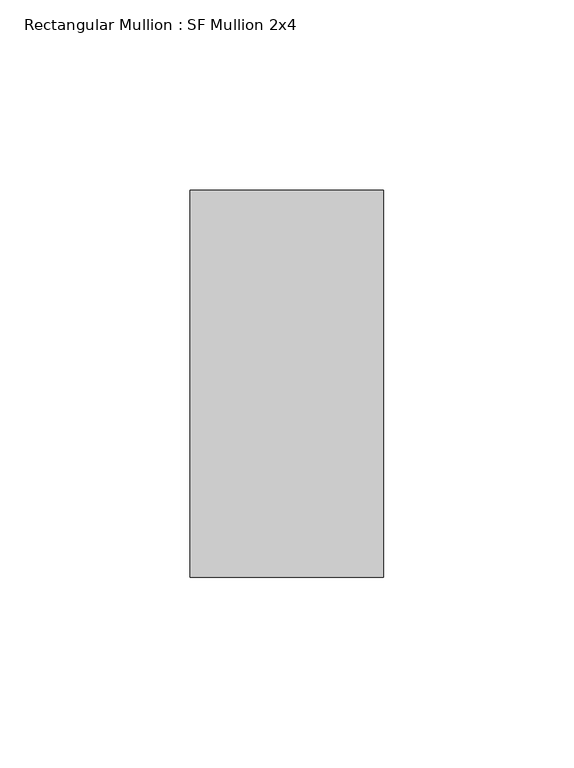
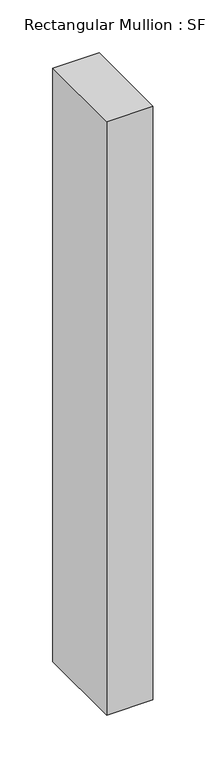
"""IFC4 building model written with IfcOpenShell, lengths in millimetres: member geometry, Rectangular Mullion : SF Mullion 2x4."""

from ifc_helpers import new_model, si_unit, frame, origin, place, context, project, spatial, polyline, outline, extrude, source, transform, mapped, element, save


def rectangular_mullion_sf_mullion_2x4_7cb6e340(model_context):
    return source(origin(), model_context, "Body", "SweptSolid", [
        extrude(outline(polyline([(0.0, 50.8), (0.0, -50.8), (-50.8, -50.8), (-50.8, 50.8), (0.0, 50.8)])), frame((0.0, 0.0, -685.8), z_axis=(0.0, 0.0, 1.0), x_axis=(1.0, 0.0, 0.0)), (0.0, 0.0, 1.0), 685.8),
    ])


if __name__ == "__main__":
    model = new_model("IFC4")
    model_context = context("Model", 3, world=origin())
    ifc_project = project(units=[si_unit("LENGTHUNIT", "METRE", prefix="MILLI")], contexts=[model_context])
    site = spatial("IfcSite", under=ifc_project)
    building = spatial("IfcBuilding", under=site)
    placement = place(None, origin())
    rectangular_mullion_sf_mullion_2x4_shape = rectangular_mullion_sf_mullion_2x4_7cb6e340(model_context)
    element("IfcMember", 1, ObjectType="Rectangular Mullion : SF Mullion 2x4", at=placement, inside=building, context=model_context, shape_type="MappedRepresentation", body=[
        mapped(rectangular_mullion_sf_mullion_2x4_shape, transform((0.0, 0.0, 0.0), x_axis=(1.0, 0.0, 0.0), y_axis=(0.0, 1.0, 0.0), z_axis=(0.0, 0.0, 1.0))),
    ])
    save(model, "model.ifc")
